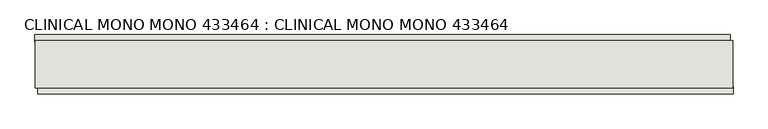
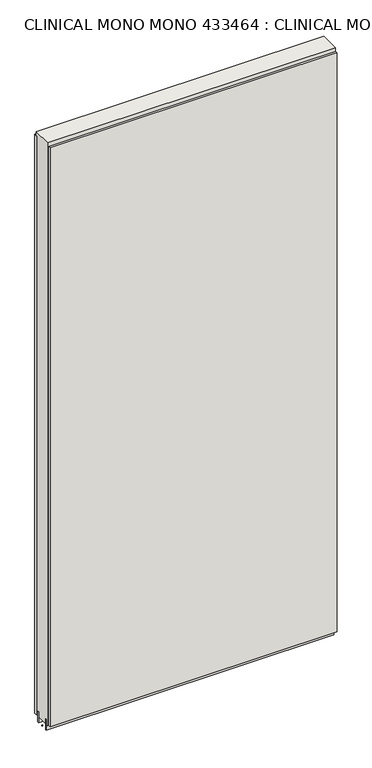
"""IFC4 building model written with IfcOpenShell, lengths in millimetres: wall geometry, CLINICAL MONO MONO 433464 : CLINICAL MONO MONO 433464."""

from ifc_helpers import new_model, si_unit, frame, origin, place, context, project, spatial, polyline, outline, extrude, source, transform, mapped, element, save


def clinical_mono_mono_433464_clinical_mono_mono_433464_e109b059(model_context):
    return source(origin(), model_context, "Body", "SweptSolid", [
        extrude(outline(polyline([(58568.188172, -40972.3505672), (58565.648172, -40972.3505672), (58565.648172, -40969.8105672), (58568.188172, -40969.8105672), (58568.188172, -40972.3505672)])), frame((0.0, 0.0, 4419.6), z_axis=(0.0, 0.0, 1.0), x_axis=(1.0, 0.0, 0.0)), (0.0, 0.0, 1.0), 2.54),
        extrude(outline(polyline([(58565.1826662, -40920.2805672), (59759.3034682, -40920.2805672), (59759.3034682, -40932.9805672), (58565.1826662, -40932.9805672), (58565.1826662, -40920.2805672)])), frame((0.0, 0.0, 4445.0), z_axis=(0.0, 0.0, 1.0), x_axis=(1.0, 0.0, 0.0)), (0.0, 0.0, 1.0), 2545.0498756),
        extrude(outline(polyline([(59764.233405, -41021.8805672), (58570.112603, -41021.8805672), (58570.112603, -41009.1805672), (59764.233405, -41009.1805672), (59764.233405, -41021.8805672)])), frame((0.0, 0.0, 4445.0), z_axis=(0.0, 0.0, 1.0), x_axis=(1.0, 0.0, 0.0)), (0.0, 0.0, 1.0), 2545.0498756),
        extrude(outline(polyline([(59763.7629462, -40945.9937238), (58565.6407298, -40945.9937238), (58565.6407298, -40940.9149684), (59763.7629462, -40940.9149684), (59763.7629462, -40945.9937238)])), frame((0.0, 0.0, 4418.6602), z_axis=(0.0, 0.0, 1.0), x_axis=(1.0, 0.0, 0.0)), (0.0, 0.0, 1.0), 47.625),
        extrude(outline(polyline([(59763.7629462, -40945.9937238), (58565.6407298, -40945.9937238), (58565.6407298, -40940.9149684), (59763.7629462, -40940.9149684), (59763.7629462, -40945.9937238)])), frame((0.0, 0.0, 4418.6602), z_axis=(0.0, 0.0, 1.0), x_axis=(1.0, 0.0, 0.0)), (0.0, 0.0, 1.0), 47.625),
        extrude(outline(polyline([(58565.6407298, -40996.1581142), (59763.7629462, -40996.1581142), (59763.7629462, -41001.2399684), (58565.6407298, -41001.2399684), (58565.6407298, -40996.1581142)])), frame((0.0, 0.0, 4418.6602), z_axis=(0.0, 0.0, 1.0), x_axis=(1.0, 0.0, 0.0)), (0.0, 0.0, 1.0), 47.625),
        extrude(outline(polyline([(58565.6407298, -40996.1581142), (59763.7629462, -40996.1581142), (59763.7629462, -41001.2399684), (58565.6407298, -41001.2399684), (58565.6407298, -40996.1581142)])), frame((0.0, 0.0, 4418.6602), z_axis=(0.0, 0.0, 1.0), x_axis=(1.0, 0.0, 0.0)), (0.0, 0.0, 1.0), 47.625),
        extrude(outline(polyline([(59763.7629462, -40930.4504986), (59763.7629462, -41011.729254), (58565.6407298, -41011.729254), (58565.6407298, -40930.4504986), (59763.7629462, -40930.4504986)])), frame((0.0, 0.0, 4445.0), z_axis=(0.0, 0.0, 1.0), x_axis=(1.0, 0.0, 0.0)), (0.0, 0.0, 1.0), 2562.4536762),
    ])


if __name__ == "__main__":
    model = new_model("IFC4")
    model_context = context("Model", 3, world=origin())
    ifc_project = project(units=[si_unit("LENGTHUNIT", "METRE", prefix="MILLI")], contexts=[model_context])
    site = spatial("IfcSite", under=ifc_project)
    building = spatial("IfcBuilding", under=site)
    placement = place(None, origin())
    clinical_mono_mono_433464_clinical_mono_mono_433464_shape = clinical_mono_mono_433464_clinical_mono_mono_433464_e109b059(model_context)
    element("IfcWall", 1, ObjectType="CLINICAL MONO MONO 433464 : CLINICAL MONO MONO 433464", at=placement, inside=building, context=model_context, shape_type="MappedRepresentation", body=[
        mapped(clinical_mono_mono_433464_clinical_mono_mono_433464_shape, transform((0.0, 0.0, 0.0), x_axis=(1.0, 0.0, 0.0), y_axis=(0.0, 1.0, 0.0), z_axis=(0.0, 0.0, 1.0))),
    ])
    save(model, "model.ifc")
